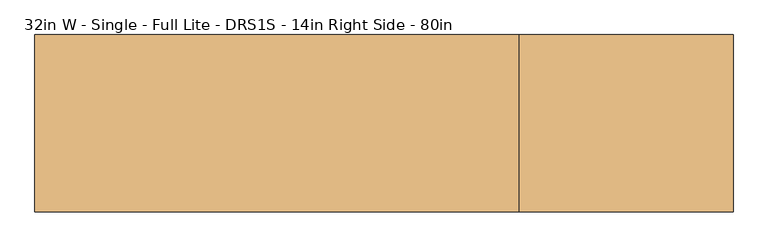
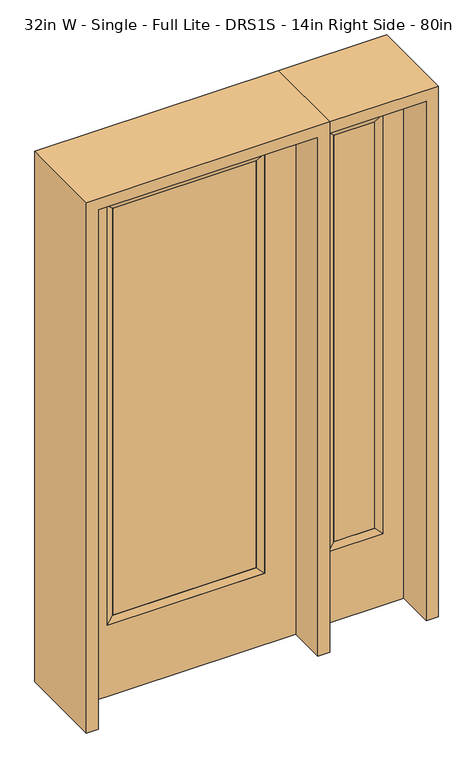
"""IFC4 building model written with IfcOpenShell, lengths in millimetres: door geometry, 32in W - Single - Full Lite - DRS1S - 14in Right Side - 80in."""

from ifc_helpers import new_model, si_unit, frame, origin, place, context, project, spatial, polyline, outline, extrude, faceted_brep, source, transform, mapped, element, save


def door_32in_w_single_full_lite_drs1s_14in_right_side_80in_09842a48(model_context):
    return source(origin(), model_context, "Body", "SolidModel", [
        extrude(outline(polyline([(265.5824, -12.7039749), (-265.5824, -12.7039749), (-265.5824, 14.2875), (265.5824, 14.2875), (265.5824, -12.7039749)])), frame((0.0, 0.0, 304.8), z_axis=(0.0, 0.0, 1.0), x_axis=(1.0, 0.0, 0.0)), (0.0, 0.0, 1.0), 1591.1576),
        faceted_brep([(265.5824, 14.2875, 1895.9576), (290.9824, 22.225, 1921.3576), (290.9824, 22.225, 279.4), (265.5824, 14.2875, 304.8), (290.9824, -22.225, 1921.3576), (290.9824, -22.225, 279.4), (-290.9824, 22.225, 279.4), (-265.5824, 14.2875, 304.8), (265.5824, -12.7039749, 1895.9576), (265.5824, -12.7039749, 304.8), (-265.5824, -12.7039749, 304.8), (-290.9824, -22.225, 279.4), (-290.9824, 22.225, 1921.3576), (-265.5824, 14.2875, 1895.9576), (-265.5824, -12.7039749, 1895.9576), (-290.9824, -22.225, 1921.3576)], [[[0, 1, 2, 3]], [[1, 4, 5, 2]], [[3, 2, 6, 7]], [[8, 0, 3, 9]], [[9, 3, 7, 10]], [[4, 8, 9, 5]], [[5, 9, 10, 11]], [[2, 5, 11, 6]], [[7, 6, 12, 13]], [[10, 7, 13, 14]], [[11, 10, 14, 15]], [[6, 11, 15, 12]], [[13, 12, 1, 0]], [[14, 13, 0, 8]], [[15, 14, 8, 4]], [[12, 15, 4, 1]]]),
        extrude(outline(polyline([(0.0, -406.4), (0.0, 406.4), (2032.0, 406.4), (2032.0, -406.4), (0.0, -406.4)]), holes=[polyline([(279.4, -290.9824), (1921.3576, -290.9824), (1921.3576, 290.9824), (279.4, 290.9824), (279.4, -290.9824)])]), frame((0.0, -22.225, 0.0), z_axis=(0.0, 1.0, 0.0), x_axis=(0.0, 0.0, 1.0)), (0.0, 0.0, 1.0), 44.45),
        faceted_brep([(527.05, 20.6375, 1920.875), (527.05, 20.6375, 279.4), (527.05, -20.6375, 279.4), (527.05, -20.6375, 1920.875), (552.45, -12.7, 304.8), (552.45, -12.7, 1895.475), (730.25, 20.6375, 279.4), (730.25, -20.6375, 279.4), (552.45, 12.7, 1895.475), (552.45, 12.7, 304.8), (704.85, 12.7, 304.8), (704.85, -12.7, 304.8), (730.25, 20.6375, 1920.875), (730.25, -20.6375, 1920.875), (704.85, 12.7, 1895.475), (704.85, -12.7, 1895.475)], [[[0, 1, 2, 3]], [[3, 2, 4, 5]], [[1, 6, 7, 2]], [[8, 9, 1, 0]], [[9, 10, 6, 1]], [[5, 4, 9, 8]], [[4, 11, 10, 9]], [[2, 7, 11, 4]], [[6, 12, 13, 7]], [[10, 14, 12, 6]], [[11, 15, 14, 10]], [[7, 13, 15, 11]], [[12, 0, 3, 13]], [[14, 8, 0, 12]], [[15, 5, 8, 14]], [[13, 3, 5, 15]]]),
        extrude(outline(polyline([(0.0, 806.45), (2032.0, 806.45), (2032.0, 450.85), (0.0, 450.85), (0.0, 806.45)]), holes=[polyline([(1920.875, 527.05), (1920.875, 730.25), (279.4, 730.25), (279.4, 527.05), (1920.875, 527.05)])]), frame((0.0, -20.6375, 0.0), z_axis=(0.0, 1.0, 0.0), x_axis=(0.0, 0.0, 1.0)), (0.0, 0.0, 1.0), 41.275),
        extrude(outline(polyline([(552.45, -12.7), (552.45, 12.7), (704.85, 12.7), (704.85, -12.7), (552.45, -12.7)])), frame((0.0, 0.0, 304.8), z_axis=(0.0, 0.0, 1.0), x_axis=(1.0, 0.0, 0.0)), (0.0, 0.0, 1.0), 1590.675),
        extrude(outline(polyline([(2076.45, -450.85), (0.0, -450.85), (0.0, -406.4), (2032.0, -406.4), (2032.0, 406.4), (0.0, 406.4), (0.0, 450.85), (2076.45, 450.85), (2076.45, -450.85)])), frame((0.0, -165.1, 0.0), z_axis=(0.0, 1.0, 0.0), x_axis=(0.0, 0.0, 1.0)), (0.0, 0.0, 1.0), 330.2),
        extrude(outline(polyline([(0.0, 806.45), (0.0, 850.9), (2076.45, 850.9), (2076.45, 450.85), (2032.0, 450.85), (2032.0, 806.45), (0.0, 806.45)])), frame((0.0, -165.1, 0.0), z_axis=(0.0, 1.0, 0.0), x_axis=(0.0, 0.0, 1.0)), (0.0, 0.0, 1.0), 330.2),
    ])


if __name__ == "__main__":
    model = new_model("IFC4")
    model_context = context("Model", 3, world=origin())
    ifc_project = project(units=[si_unit("LENGTHUNIT", "METRE", prefix="MILLI")], contexts=[model_context])
    site = spatial("IfcSite", under=ifc_project)
    building = spatial("IfcBuilding", under=site)
    placement = place(None, origin())
    door_32in_w_single_full_lite_drs1s_14in_right_side_80in_shape = door_32in_w_single_full_lite_drs1s_14in_right_side_80in_09842a48(model_context)
    element("IfcDoor", 1, ObjectType="32in W - Single - Full Lite - DRS1S - 14in Right Side - 80in", at=placement, inside=building, context=model_context, shape_type="MappedRepresentation", body=[
        mapped(door_32in_w_single_full_lite_drs1s_14in_right_side_80in_shape, transform((0.0, 0.0, 0.0), x_axis=(1.0, 0.0, 0.0), y_axis=(0.0, 1.0, 0.0), z_axis=(0.0, 0.0, 1.0))),
    ])
    save(model, "model.ifc")
